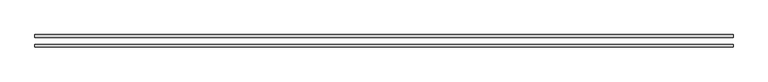
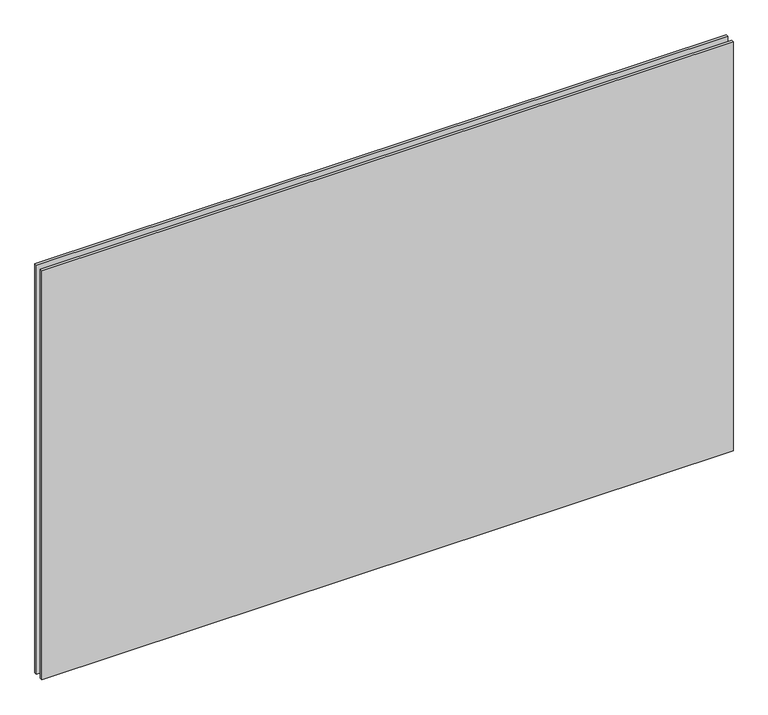
"""IFC4 building model written with IfcOpenShell, lengths in millimetres: plate geometry."""

from ifc_helpers import new_model, si_unit, origin, origin_with_axes, place, context, project, spatial, polyline, outline, extrude, source, transform, mapped, element, save


def plate_bfa89ae3(model_context):
    return source(origin(), model_context, "Body", "SweptSolid", [
        extrude(outline(polyline([(-800.186381, 14.0), (800.186381, 14.0), (800.186381, 8.0), (-800.186381, 8.0), (-800.186381, 14.0)])), origin_with_axes(), (0.0, 0.0, 1.0), 1000.9999996),
        extrude(outline(polyline([(-800.186381, -8.0), (800.186381, -8.0), (800.186381, -14.0), (-800.186381, -14.0), (-800.186381, -8.0)])), origin_with_axes(), (0.0, 0.0, 1.0), 1000.9999996),
    ])


if __name__ == "__main__":
    model = new_model("IFC4")
    model_context = context("Model", 3, world=origin())
    ifc_project = project(units=[si_unit("LENGTHUNIT", "METRE", prefix="MILLI")], contexts=[model_context])
    site = spatial("IfcSite", under=ifc_project)
    building = spatial("IfcBuilding", under=site)
    placement = place(None, origin())
    plate_shape = plate_bfa89ae3(model_context)
    element("IfcPlate", 1, at=placement, inside=building, context=model_context, shape_type="MappedRepresentation", body=[
        mapped(plate_shape, transform((0.0, 0.0, 0.0), x_axis=(1.0, 0.0, 0.0), y_axis=(0.0, 1.0, 0.0), z_axis=(0.0, 0.0, 1.0))),
    ])
    save(model, "model.ifc")
